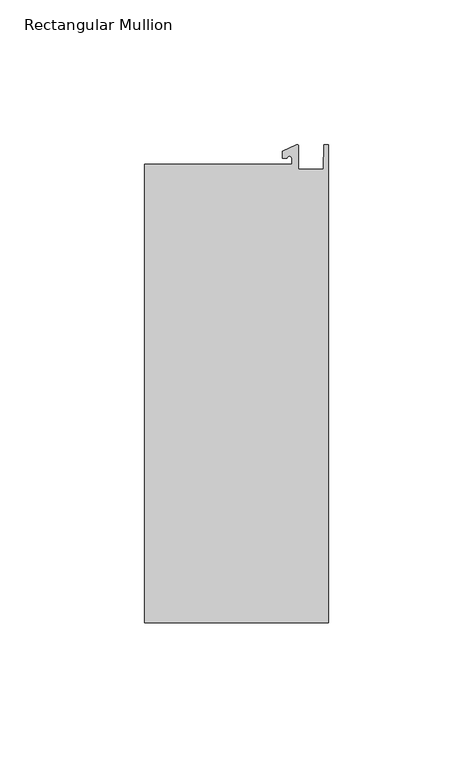
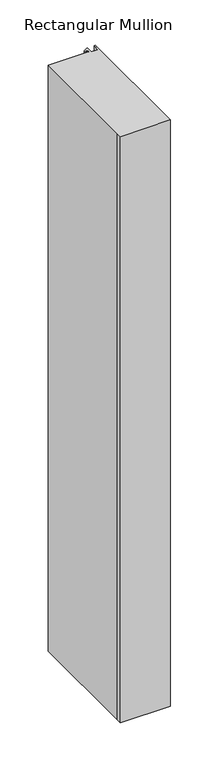
"""IFC4 building model written with IfcOpenShell, lengths in millimetres: member geometry, Rectangular Mullion."""

from ifc_helpers import new_model, si_unit, point, frame, frame_2d, origin, place, context, project, spatial, polyline, circle_curve, trimmed, segment, composite_curve, outline, extrude, source, transform, mapped, element, save


def rectangular_mullion_e28ea44e(model_context):
    return source(origin(), model_context, "Body", "SweptSolid", [
        extrude(outline(composite_curve([segment(polyline([(-12.6173814, 25.5984375), (-12.6173814, 27.6780632)]), True, "CONTINUOUS"), segment(trimmed(circle_curve(frame_2d((-13.4111314, 27.6780632)), 0.79375), [point((-12.6173814, 27.6780632))], [point((-14.2048814, 27.6780632))], True, "CARTESIAN"), True, "CONTINUOUS"), segment(polyline([(-14.2048814, 27.6780632), (-15.7923814, 27.6780632), (-15.7923814, 30.0402625), (-10.9524715, 32.2971496)]), True, "CONTINUOUS"), segment(trimmed(circle_curve(frame_2d((-10.7377814, 31.8367452)), 0.508), [point((-10.9524715, 32.2971496))], [point((-10.2297814, 31.8367452))], False, "CARTESIAN"), True, "CONTINUOUS"), segment(polyline([(-10.2297814, 31.8367452), (-10.2297814, 23.9227662), (-1.7144124, 23.9227662), (-1.5658966, 32.288874), (0.0, 32.288874), (0.0, -132.822512), (-63.5, -132.822512), (-63.5, -125.075512), (-63.5, 25.5984375), (-12.6173814, 25.5984375)]), True, "CONTINUOUS")], self_intersect=False)), frame((0.0, 0.0, -787.4), z_axis=(0.0, 0.0, 1.0), x_axis=(1.0, 0.0, 0.0)), (0.0, 0.0, 1.0), 787.4),
    ])


if __name__ == "__main__":
    model = new_model("IFC4")
    model_context = context("Model", 3, world=origin())
    ifc_project = project(units=[si_unit("LENGTHUNIT", "METRE", prefix="MILLI")], contexts=[model_context])
    site = spatial("IfcSite", under=ifc_project)
    building = spatial("IfcBuilding", under=site)
    placement = place(None, origin())
    rectangular_mullion_shape = rectangular_mullion_e28ea44e(model_context)
    element("IfcMember", 1, ObjectType="Rectangular Mullion", at=placement, inside=building, context=model_context, shape_type="MappedRepresentation", body=[
        mapped(rectangular_mullion_shape, transform((0.0, 0.0, 0.0), x_axis=(1.0, 0.0, 0.0), y_axis=(0.0, 1.0, 0.0), z_axis=(0.0, 0.0, 1.0))),
    ])
    save(model, "model.ifc")
